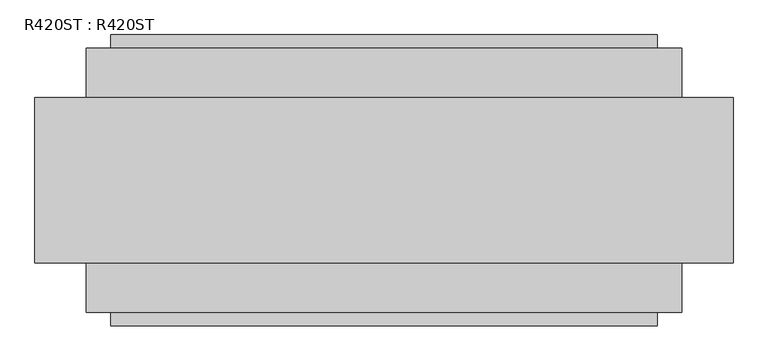
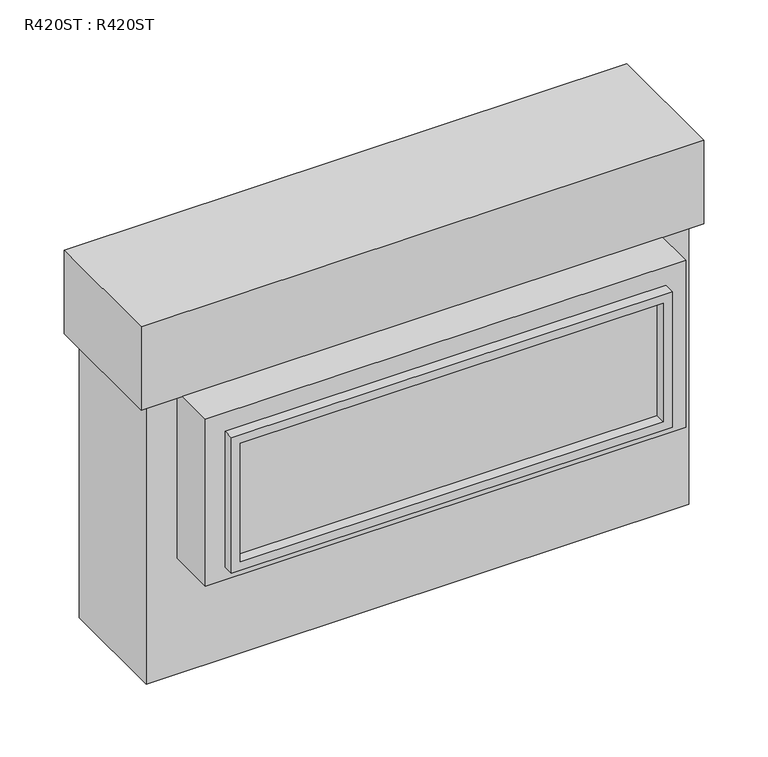
"""IFC4 building model written with IfcOpenShell, lengths in millimetres: proxy geometry, R420ST : R420ST."""

from ifc_helpers import new_model, si_unit, frame, origin, origin_with_axes, place, context, project, spatial, polyline, outline, extrude, source, transform, mapped, element, save


def r420st_r420st_4c06d190(model_context):
    return source(origin(), model_context, "Body", "SweptSolid", [
        extrude(outline(polyline([(383.7939923, 624.1796022), (790.1939923, 624.1796022), (790.1939923, -624.1796022), (383.7939923, -624.1796022), (383.7939923, 624.1796022)]), holes=[polyline([(764.7939923, 598.7796022), (409.1939923, 598.7796022), (409.1939923, -598.7796022), (764.7939923, -598.7796022), (764.7939923, 598.7796022)])]), frame((0.0, 301.5487979, 0.0), z_axis=(0.0, 1.0, 0.0), x_axis=(0.0, 0.0, 1.0)), (0.0, 0.0, 1.0), 30.8572054),
        extrude(outline(polyline([(-680.1103782, 301.5487979), (680.1104, 301.5487979), (680.1104, 163.5125), (-680.1103782, 163.5125), (-680.1103782, 301.5487979)])), frame((0.0, 0.0, 345.2875465), z_axis=(0.0, 0.0, 1.0), x_axis=(1.0, 0.0, 0.0)), (0.0, 0.0, 1.0), 500.8372217),
        extrude(outline(polyline([(383.7939923, 624.1796022), (790.1939923, 624.1796022), (790.1939923, -624.1796022), (383.7939923, -624.1796022), (383.7939923, 624.1796022)]), holes=[polyline([(764.7939923, 598.7796022), (409.1939923, 598.7796022), (409.1939923, -598.7796022), (764.7939923, -598.7796022), (764.7939923, 598.7796022)])]), frame((0.0, -332.4060033, 0.0), z_axis=(0.0, 1.0, 0.0), x_axis=(0.0, 0.0, 1.0)), (0.0, 0.0, 1.0), 30.8572054),
        extrude(outline(polyline([(680.1104, -301.5487979), (-680.1103782, -301.5487979), (-680.1103782, -163.5125), (680.1104, -163.5125), (680.1104, -301.5487979)])), frame((0.0, 0.0, 345.2875465), z_axis=(0.0, 0.0, 1.0), x_axis=(1.0, 0.0, 0.0)), (0.0, 0.0, 1.0), 500.8372217),
        extrude(outline(polyline([(796.925, 188.9125), (796.925, -188.9125), (-796.925, -188.9125), (-796.925, 188.9125), (796.925, 188.9125)])), frame((0.0, 0.0, 846.1247683), z_axis=(0.0, 0.0, 1.0), x_axis=(1.0, 0.0, 0.0)), (0.0, 0.0, 1.0), 249.1993904),
        extrude(outline(polyline([(768.35, 163.5125), (768.35, -163.5125), (-768.35, -163.5125), (-768.35, 163.5125), (768.35, 163.5125)])), origin_with_axes(), (0.0, 0.0, 1.0), 846.1247683),
    ])


if __name__ == "__main__":
    model = new_model("IFC4")
    model_context = context("Model", 3, world=origin())
    ifc_project = project(units=[si_unit("LENGTHUNIT", "METRE", prefix="MILLI")], contexts=[model_context])
    site = spatial("IfcSite", under=ifc_project)
    building = spatial("IfcBuilding", under=site)
    placement = place(None, origin())
    r420st_r420st_shape = r420st_r420st_4c06d190(model_context)
    element("IfcBuildingElementProxy", 1, Name="R420ST : R420ST", ObjectType="R420ST : R420ST", at=placement, inside=building, context=model_context, shape_type="MappedRepresentation", body=[
        mapped(r420st_r420st_shape, transform((0.0, 0.0, 0.0), x_axis=(1.0, 0.0, 0.0), y_axis=(0.0, 1.0, 0.0), z_axis=(0.0, 0.0, 1.0))),
    ])
    save(model, "model.ifc")
